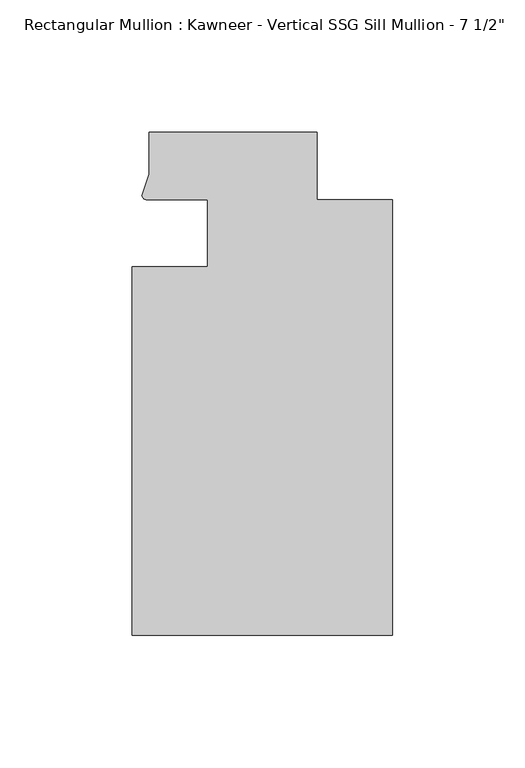
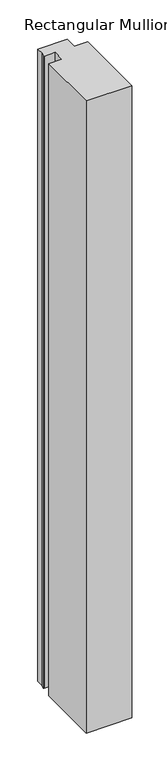
"""IFC4 building model written with IfcOpenShell, lengths in millimetres: member geometry."""

from ifc_helpers import new_model, si_unit, point, frame, frame_2d, origin, place, context, project, spatial, polyline, circle_curve, trimmed, segment, composite_curve, outline, extrude, source, transform, mapped, element, save


def member_5b5f7da1(model_context):
    return source(origin(), model_context, "Body", "SweptSolid", [
        extrude(outline(composite_curve([segment(polyline([(-69.85, -12.7), (-69.85, 12.700061), (-93.1091288, 12.700061)]), True, "CONTINUOUS"), segment(trimmed(circle_curve(frame_2d((-93.0262373, 14.401412)), 1.703369), [point((-93.1091288, 12.700061))], [point((-94.7258552, 14.2884292))], False, "CARTESIAN"), True, "CONTINUOUS"), segment(polyline([(-94.7258552, 14.2884292), (-92.075, 22.2250977), (-92.075, 38.1), (-28.575, 38.1), (-28.575, 12.7), (0.0, 12.7), (0.0, -151.892), (-98.425, -151.892), (-98.425, -12.7), (-69.85, -12.7)]), True, "CONTINUOUS")], self_intersect=False)), frame((0.0, 0.0, -1433.8081727), z_axis=(0.0, 0.0, 1.0), x_axis=(1.0, 0.0, 0.0)), (0.0, 0.0, 1.0), 1433.8081727),
    ])


if __name__ == "__main__":
    model = new_model("IFC4")
    model_context = context("Model", 3, world=origin())
    ifc_project = project(units=[si_unit("LENGTHUNIT", "METRE", prefix="MILLI")], contexts=[model_context])
    site = spatial("IfcSite", under=ifc_project)
    building = spatial("IfcBuilding", under=site)
    placement = place(None, origin())
    member_shape = member_5b5f7da1(model_context)
    element("IfcMember", 1, ObjectType="Rectangular Mullion : Kawneer - Vertical SSG Sill Mullion - 7 1/2\"", at=placement, inside=building, context=model_context, shape_type="MappedRepresentation", body=[
        mapped(member_shape, transform((0.0, 0.0, 0.0), x_axis=(1.0, 0.0, 0.0), y_axis=(0.0, 1.0, 0.0), z_axis=(0.0, 0.0, 1.0))),
    ])
    save(model, "model.ifc")
